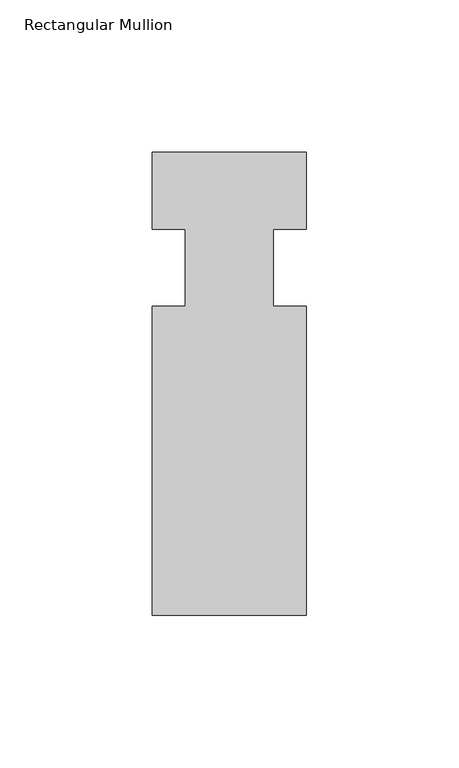
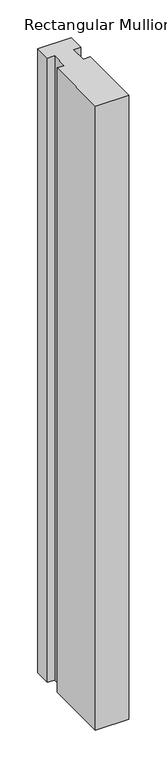
"""IFC4 building model written with IfcOpenShell, lengths in millimetres: member geometry, Rectangular Mullion."""

from ifc_helpers import new_model, si_unit, frame, origin, place, context, project, spatial, polyline, outline, extrude, source, transform, mapped, element, save


def rectangular_mullion_74b0e988(model_context):
    return source(origin(), model_context, "Body", "SweptSolid", [
        extrude(outline(polyline([(25.4, 0.0), (25.4, -25.4), (14.398625, -25.4), (14.398625, -50.8), (25.4, -50.8), (25.4, -152.4), (-25.4, -152.4), (-25.4, -50.8), (-14.398625, -50.8), (-14.398625, -25.4), (-25.4, -25.4), (-25.4, 0.0), (25.4, 0.0)])), frame((0.0, 0.0, -1007.5331431), z_axis=(0.0, 0.0, 1.0), x_axis=(1.0, 0.0, 0.0)), (0.0, 0.0, 1.0), 1007.5331431),
    ])


if __name__ == "__main__":
    model = new_model("IFC4")
    model_context = context("Model", 3, world=origin())
    ifc_project = project(units=[si_unit("LENGTHUNIT", "METRE", prefix="MILLI")], contexts=[model_context])
    site = spatial("IfcSite", under=ifc_project)
    building = spatial("IfcBuilding", under=site)
    placement = place(None, origin())
    rectangular_mullion_shape = rectangular_mullion_74b0e988(model_context)
    element("IfcMember", 1, ObjectType="Rectangular Mullion", at=placement, inside=building, context=model_context, shape_type="MappedRepresentation", body=[
        mapped(rectangular_mullion_shape, transform((0.0, 0.0, 0.0), x_axis=(1.0, 0.0, 0.0), y_axis=(0.0, 1.0, 0.0), z_axis=(0.0, 0.0, 1.0))),
    ])
    save(model, "model.ifc")
